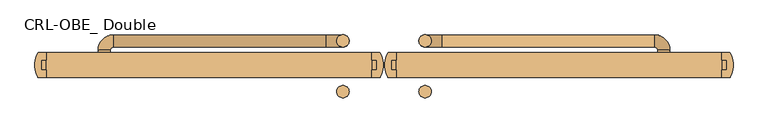
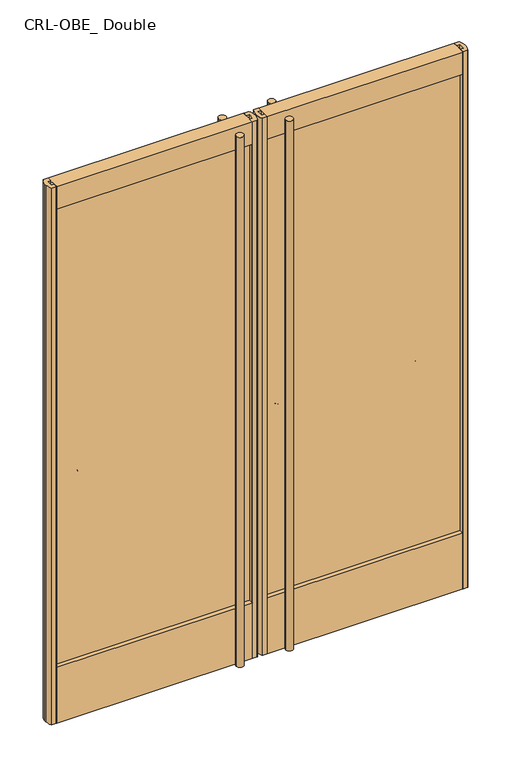
"""IFC4 building model written with IfcOpenShell, lengths in millimetres: door geometry, CRL-OBE_ Double."""

import ifcopenshell
import ifcopenshell.guid

model = None  # the IFC model being written
_history = None  # IfcOwnerHistory: only IFC2X3 demands one
_inside = {}  # id of a spatial element -> (the spatial element, [elements in it])
_under = {}  # id of a project, library or spatial element -> (it, [spatial elements below it])
_declared = {}  # id of a project -> (the project, [libraries it declares])
_typed = {}  # id of a type object -> (the type object, [elements of that type])
_made_of = {}  # id of a material, layer set ... -> (it, [elements and type objects made of it])


def new_model(schema):
    """Start an empty IFC model of exactly this schema.

    Asked for "IFC4X3", IfcOpenShell would pick the latest addendum, in which some entities
    have other attributes; the version numbers below select the first issue.
    IFC2X3 requires an IfcOwnerHistory on every rooted entity: one is made here for all.
    """
    global model, _history
    if schema == "IFC4X3":
        model = ifcopenshell.file(schema_version=(4, 3, 0, 0))
    else:
        model = ifcopenshell.file(schema=schema)
    _inside.clear()
    _under.clear()
    _declared.clear()
    _typed.clear()
    _made_of.clear()
    _history = None
    if model.schema == "IFC2X3":
        org = make("IfcOrganization", Name="unknown")
        user = make(
            "IfcPersonAndOrganization",
            ThePerson=make("IfcPerson", FamilyName="unknown"),
            TheOrganization=org,
        )
        app = make(
            "IfcApplication",
            ApplicationDeveloper=org,
            Version="unknown",
            ApplicationFullName="unknown",
            ApplicationIdentifier="unknown",
        )
        _history = make(
            "IfcOwnerHistory",
            OwningUser=user,
            OwningApplication=app,
            ChangeAction="ADDED",
            CreationDate=0,
        )
    return model


def make(cls, **values):
    """One entity of the class cls with the attributes given. An attribute that is None is left unset."""
    return model.create_entity(
        cls, **{name: value for name, value in values.items() if value is not None}
    )


def rooted(cls, **values):
    """An entity with a GlobalId (a new one), such as an element, a storey or a relation."""
    return make(cls, GlobalId=ifcopenshell.guid.new(), OwnerHistory=_history, **values)


def si_unit(unit_type, name, prefix=None):
    """IfcSIUnit, for example si_unit("LENGTHUNIT", "METRE", prefix="MILLI")."""
    return make("IfcSIUnit", UnitType=unit_type, Prefix=prefix, Name=name)


def assignment(units):
    """IfcUnitAssignment: the units of a project."""
    return None if units is None else make("IfcUnitAssignment", Units=units)


def point(xyz):
    """IfcCartesianPoint."""
    return None if xyz is None else make("IfcCartesianPoint", Coordinates=xyz)


def direction(xyz):
    """IfcDirection."""
    return None if xyz is None else make("IfcDirection", DirectionRatios=xyz)


def frame(location, z_axis=None, x_axis=None):
    """IfcAxis2Placement3D, a coordinate frame: its origin and axes. An axis left out is left unset."""
    return make(
        "IfcAxis2Placement3D",
        Location=point(location),
        Axis=direction(z_axis),
        RefDirection=direction(x_axis),
    )


def frame_2d(location, x_axis=None):
    """IfcAxis2Placement2D, a coordinate frame in the plane: its origin and x axis."""
    return make(
        "IfcAxis2Placement2D", Location=point(location), RefDirection=direction(x_axis)
    )


def origin():
    """The frame at (0, 0, 0) with its axes left unset."""
    return frame((0.0, 0.0, 0.0))


def place(relative_to, where):
    """IfcLocalPlacement: puts the frame where relative to a parent placement (None: the world)."""
    return make(
        "IfcLocalPlacement", PlacementRelTo=relative_to, RelativePlacement=where
    )


def context(
    kind, dimensions, precision=None, world=None, true_north=None, identifier=None
):
    """IfcGeometricRepresentationContext, for example the 3D "Model" context."""
    return make(
        "IfcGeometricRepresentationContext",
        ContextIdentifier=identifier,
        ContextType=kind,
        CoordinateSpaceDimension=dimensions,
        Precision=precision,
        WorldCoordinateSystem=world,
        TrueNorth=true_north,
    )


def project(units=None, contexts=None):
    """IfcProject with its units and contexts."""
    return rooted(
        "IfcProject",
        Name="project",
        RepresentationContexts=contexts,
        UnitsInContext=assignment(units),
    )


def spatial(cls, under=None, at=None, **own):
    """A site, building, storey or space (cls), placed at a placement, below another one or the project."""
    s = rooted(cls, ObjectPlacement=at, **own)
    if under is not None:
        _under.setdefault(under.id(), (under, []))[1].append(s)
    return s


def polyline(points):
    """IfcPolyline through the points."""
    return make("IfcPolyline", Points=[point(p) for p in points])


def circle_curve(where, radius):
    """IfcCircle in the frame where."""
    return make("IfcCircle", Position=where, Radius=radius)


def ellipse_curve(where, semi_axis1, semi_axis2):
    """IfcEllipse in the frame where."""
    return make(
        "IfcEllipse", Position=where, SemiAxis1=semi_axis1, SemiAxis2=semi_axis2
    )


def trimmed(basis, trim1, trim2, sense, master):
    """IfcTrimmedCurve: the piece of a basis curve between two trims."""
    return make(
        "IfcTrimmedCurve",
        BasisCurve=basis,
        Trim1=trim1,
        Trim2=trim2,
        SenseAgreement=sense,
        MasterRepresentation=master,
    )


def segment(curve, same_sense, transition):
    """IfcCompositeCurveSegment."""
    return make(
        "IfcCompositeCurveSegment",
        Transition=transition,
        SameSense=same_sense,
        ParentCurve=curve,
    )


def composite_curve(segments, self_intersect=None):
    """IfcCompositeCurve: segments joined end to end."""
    return make("IfcCompositeCurve", Segments=segments, SelfIntersect=self_intersect)


def outline(outer, holes=None, kind="AREA"):
    """IfcArbitraryClosedProfileDef: a profile drawn as a closed curve; with holes, ...WithVoids."""
    if holes is None:
        return make("IfcArbitraryClosedProfileDef", ProfileType=kind, OuterCurve=outer)
    return make(
        "IfcArbitraryProfileDefWithVoids",
        ProfileType=kind,
        OuterCurve=outer,
        InnerCurves=holes,
    )


def extrude(swept, where, along, depth):
    """IfcExtrudedAreaSolid: the profile swept, set in the frame where, extruded along a direction by depth."""
    return make(
        "IfcExtrudedAreaSolid",
        SweptArea=swept,
        Position=where,
        ExtrudedDirection=direction(along),
        Depth=depth,
    )


def shape(context_of_items, identifier, shape_type, items):
    """IfcShapeRepresentation: the items that make up one representation, for example the "Body"."""
    return make(
        "IfcShapeRepresentation",
        ContextOfItems=context_of_items,
        RepresentationIdentifier=identifier,
        RepresentationType=shape_type,
        Items=items,
    )


def source(mapping_origin, context_of_items, identifier, shape_type, items):
    """IfcRepresentationMap: a shape defined once, which mapped items show again and again."""
    return make(
        "IfcRepresentationMap",
        MappingOrigin=mapping_origin,
        MappedRepresentation=shape(context_of_items, identifier, shape_type, items),
    )


def transform(
    local_origin,
    x_axis=None,
    y_axis=None,
    z_axis=None,
    scale=None,
    scale2=None,
    scale3=None,
    uniform=True,
):
    """IfcCartesianTransformationOperator3D, or its non-uniform kind. x_axis, y_axis, z_axis: its Axis1, 2, 3."""
    if uniform:
        return make(
            "IfcCartesianTransformationOperator3D",
            Axis1=direction(x_axis),
            Axis2=direction(y_axis),
            LocalOrigin=point(local_origin),
            Scale=scale,
            Axis3=direction(z_axis),
        )
    return make(
        "IfcCartesianTransformationOperator3DnonUniform",
        Axis1=direction(x_axis),
        Axis2=direction(y_axis),
        LocalOrigin=point(local_origin),
        Scale=scale,
        Axis3=direction(z_axis),
        Scale2=scale2,
        Scale3=scale3,
    )


def mapped(mapping_source, mapping_target):
    """IfcMappedItem: shows the shape of a source again, moved by a transform."""
    return make(
        "IfcMappedItem", MappingSource=mapping_source, MappingTarget=mapping_target
    )


def made_of(thing, what):
    """Note that an element or type object is made of a material, layer set ...; save() writes the relation."""
    if what is not None:
        _made_of.setdefault(what.id(), (what, []))[1].append(thing)
    return thing


def element(
    cls,
    number,
    at=None,
    inside=None,
    cuts=None,
    type_object=None,
    material=None,
    context=None,
    identifier="Body",
    shape_type=None,
    held_by="IfcProductDefinitionShape",
    body=None,
    shapes=None,
    **own,
):
    """One element of the class cls, such as IfcWall. Its Tag is "e" and its number.

    at: its placement. inside: the storey or other place that contains it. cuts: it is an
    opening in that element (IfcRelVoidsElement). A single representation is given by context,
    identifier, shape_type and body (its items); several are given by shapes. held_by: the class
    of the entity that holds the representations. save() writes the other relations.
    """
    e = rooted(cls, Tag="e%d" % number, ObjectPlacement=at, **own)
    if body is not None:
        shapes = [shape(context, identifier, shape_type, body)]
    if shapes is not None:
        e.Representation = make(held_by, Representations=shapes)
    if inside is not None:
        _inside.setdefault(inside.id(), (inside, []))[1].append(e)
    if cuts is not None:
        rooted(
            "IfcRelVoidsElement", RelatingBuildingElement=cuts, RelatedOpeningElement=e
        )
    if type_object is not None:
        _typed.setdefault(type_object.id(), (type_object, []))[1].append(e)
    return made_of(e, material)


def aggregate(whole, parts):
    """IfcRelAggregates: a whole, such as a stair, and the parts it consists of."""
    return rooted("IfcRelAggregates", RelatingObject=whole, RelatedObjects=parts)


def save(model, path):
    """Write the relations noted so far, then the file.

    IfcRelAggregates (storeys below a building ...), IfcRelContainedInSpatialStructure (elements
    in a storey), IfcRelDefinesByType, IfcRelAssociatesMaterial and IfcRelDeclares: one each for
    every whole, place, type object, material and project.
    """
    for whole, parts in _under.values():
        aggregate(whole, parts)
    for where, things in _inside.values():
        rooted(
            "IfcRelContainedInSpatialStructure",
            RelatedElements=things,
            RelatingStructure=where,
        )
    for kind, things in _typed.values():
        rooted("IfcRelDefinesByType", RelatedObjects=things, RelatingType=kind)
    for what, things in _made_of.values():
        rooted("IfcRelAssociatesMaterial", RelatedObjects=things, RelatingMaterial=what)
    for by, libraries in _declared.values():
        rooted("IfcRelDeclares", RelatingContext=by, RelatedDefinitions=libraries)
    model.write(path)


def plane_surface(at):
    """IfcPlane: the flat surface through the origin of the frame at, square to its z axis."""
    return make("IfcPlane", Position=at)


def cylinder_surface(at, radius):
    """IfcCylindricalSurface: all points at the distance radius from the z axis of the frame at."""
    return make("IfcCylindricalSurface", Position=at, Radius=radius)


def revolved_surface(curve, axis_point, axis_direction):
    """IfcSurfaceOfRevolution: the curve turned about the line through axis_point along axis_direction."""
    return make(
        "IfcSurfaceOfRevolution",
        SweptCurve=make("IfcArbitraryOpenProfileDef", ProfileType="CURVE", Curve=curve),
        AxisPosition=make("IfcAxis1Placement", Location=point(axis_point), Axis=direction(axis_direction)),
    )


def advanced_brep(points, edges, surfaces, faces):
    """IfcAdvancedBrep: a solid bounded by faces that lie on surfaces and meet in shared edges.

    An edge is (start, end): straight between two places in points (the first is 0);
    or (start, end, curve); or (start, end, curve, False) where it runs against its curve.
    A face is (place in surfaces, loops), or (place, loops, False) where it looks against
    its surface's normal. A loop lists edges by number (the first is 1), with a minus sign
    where the edge is run from its end to its start. The first loop is the outer one.
    """
    corners = [point(p) for p in points]
    vertices = [make("IfcVertexPoint", VertexGeometry=c) for c in corners]
    made = []
    for start, end, *more in edges:
        made.append(
            make(
                "IfcEdgeCurve",
                EdgeStart=vertices[start],
                EdgeEnd=vertices[end],
                EdgeGeometry=more[0] if more else make("IfcPolyline", Points=[corners[start], corners[end]]),
                SameSense=more[1] if len(more) > 1 else True,
            )
        )
    hull = []
    for where, loops, *sense in faces:
        bounds = []
        for j, loop in enumerate(loops):
            ring = [make("IfcOrientedEdge", EdgeElement=made[abs(k) - 1], Orientation=k > 0) for k in loop]
            bounds.append(
                make(
                    "IfcFaceOuterBound" if j == 0 else "IfcFaceBound",
                    Bound=make("IfcEdgeLoop", EdgeList=ring),
                    Orientation=True,
                )
            )
        hull.append(make("IfcAdvancedFace", Bounds=bounds, FaceSurface=surfaces[where], SameSense=sense[0] if sense else True))
    return make("IfcAdvancedBrep", Outer=make("IfcClosedShell", CfsFaces=hull))


def crl_obe_double_ba012d41(model_context):
    return source(origin(), model_context, "Body", "SolidModel", [
        extrude(outline(composite_curve([segment(trimmed(circle_curve(frame_2d((106.3625, 53.1813703)), 15.875), [point((122.2375, 53.1813703))], [point((90.4875, 53.1813703))], False, "CARTESIAN"), True, "CONTINUOUS"), segment(trimmed(circle_curve(frame_2d((106.3625, 53.1813703)), 15.875), [point((90.4875, 53.1813703))], [point((122.2375, 53.1813703))], False, "CARTESIAN"), True, "CONTINUOUS")], self_intersect=False)), frame((0.0, 0.0, 2108.2), z_axis=(0.0, 0.0, 1.0), x_axis=(1.0, 0.0, 0.0)), (0.0, 0.0, 1.0), 330.2),
        extrude(outline(composite_curve([segment(trimmed(circle_curve(frame_2d((106.3625, -78.58125)), 15.875), [point((122.2375, -78.58125))], [point((90.4875, -78.58125))], False, "CARTESIAN"), True, "CONTINUOUS"), segment(trimmed(circle_curve(frame_2d((106.3625, -78.58125)), 15.875), [point((90.4875, -78.58125))], [point((122.2375, -78.58125))], False, "CARTESIAN"), True, "CONTINUOUS")], self_intersect=False)), frame((0.0, 0.0, 28.3539297), z_axis=(0.0, 0.0, 1.0), x_axis=(1.0, 0.0, 0.0)), (0.0, 0.0, 1.0), 2410.0460703),
        advanced_brep(
        [(708.5557308, 0.0, 1066.8), (740.3057308, 0.0, 1066.8), (106.3625, 37.3063703, 2108.2), (106.3625, 69.0563703, 2108.2), (740.3057308, 29.2459994, 1066.8), (708.5557308, 29.2459994, 1066.8), (700.4953599, 69.0563703, 1066.8), (700.4953599, 37.3063703, 1066.8), (150.8125, 69.0563703, 1066.8), (150.8125, 37.3063703, 1066.8), (106.3625, 69.0563703, 1111.25), (106.3625, 37.3063703, 1111.25)],
        [
            (0, 1, circle_curve(frame((724.4307308, 0.0, 1066.8), z_axis=(0.0, -1.0, 0.0), x_axis=(1.0, 0.0, 0.0)), 15.875)),
            (1, 0, circle_curve(frame((724.4307308, 0.0, 1066.8), z_axis=(0.0, -1.0, 0.0), x_axis=(1.0, 0.0, 0.0)), 15.875)),
            (2, 3, circle_curve(frame((106.3625, 53.1813703, 2108.2), z_axis=(0.0, 0.0, 1.0), x_axis=(0.0, 1.0, 0.0)), 15.875)),
            (3, 2, circle_curve(frame((106.3625, 53.1813703, 2108.2), z_axis=(0.0, 0.0, 1.0), x_axis=(0.0, 1.0, 0.0)), 15.875)),
            (1, 4),
            (4, 5, circle_curve(frame((724.4307308, 29.2459994, 1066.8), z_axis=(0.0, -1.0, 0.0), x_axis=(1.0, 0.0, 0.0)), 15.875)),
            (5, 0),
            (5, 4, circle_curve(frame((724.4307308, 29.2459994, 1066.8), z_axis=(0.0, -1.0, 0.0), x_axis=(1.0, 0.0, 0.0)), 15.875)),
            (6, 7, circle_curve(frame((700.4953599, 53.1813703, 1066.8), z_axis=(1.0, 0.0, 0.0), x_axis=(0.0, 1.0, 0.0)), 15.875)),
            (7, 5, circle_curve(frame((700.4953599, 29.2459994, 1066.8), z_axis=(0.0, 0.0, -1.0), x_axis=(1.0, 0.0, 0.0)), 8.0603709)),
            (4, 6, circle_curve(frame((700.4953599, 29.2459994, 1066.8), z_axis=(0.0, 0.0, 1.0), x_axis=(1.0, 0.0, 0.0)), 39.8103709)),
            (7, 6, circle_curve(frame((700.4953599, 53.1813703, 1066.8), z_axis=(1.0, 0.0, 0.0), x_axis=(0.0, 1.0, 0.0)), 15.875)),
            (6, 8),
            (8, 9, circle_curve(frame((150.8125, 53.1813703, 1066.8), z_axis=(1.0, 0.0, 0.0), x_axis=(0.0, 1.0, 0.0)), 15.875)),
            (9, 7),
            (9, 8, circle_curve(frame((150.8125, 53.1813703, 1066.8), z_axis=(1.0, 0.0, 0.0), x_axis=(0.0, 1.0, 0.0)), 15.875)),
            (10, 11, circle_curve(frame((106.3625, 53.1813703, 1111.25), z_axis=(0.0, 0.0, -1.0), x_axis=(0.0, 1.0, 0.0)), 15.875)),
            (11, 9, circle_curve(frame((150.8125, 37.3063703, 1111.25), z_axis=(0.0, -1.0, 0.0), x_axis=(0.0, 0.0, -1.0)), 44.45)),
            (8, 10, circle_curve(frame((150.8125, 69.0563703, 1111.25), z_axis=(0.0, 1.0, 0.0), x_axis=(0.0, 0.0, -1.0)), 44.45)),
            (11, 10, circle_curve(frame((106.3625, 53.1813703, 1111.25), z_axis=(0.0, 0.0, -1.0), x_axis=(0.0, 1.0, 0.0)), 15.875)),
            (10, 3),
            (2, 11),
        ],
        [
            plane_surface(frame((740.3057308, 0.0, 1066.8), z_axis=(0.0, -1.0, 0.0), x_axis=(0.0, 0.0, 1.0))),
            plane_surface(frame((106.3625, 37.3061297, 2108.2), z_axis=(0.0, 0.0, 1.0), x_axis=(-1.0, 0.0, 0.0))),
            cylinder_surface(frame((724.4307308, 0.0, 1066.8), z_axis=(0.0, -1.0, 0.0), x_axis=(1.0, 0.0, 0.0)), 15.875),
            revolved_surface(trimmed(ellipse_curve(frame((724.4307308, 29.2459994, 1066.8), z_axis=(0.0, 1.0, 0.0), x_axis=(1.0, 0.0, 0.0)), 15.875, 15.875), [point((708.5557308, 29.2459994, 1066.8))], [point((740.3057308, 29.2459994, 1066.8))], True, "CARTESIAN"), (700.4953599, 29.2459994, 1066.8), (0.0, 0.0, -1.0)),
            revolved_surface(trimmed(ellipse_curve(frame((724.4307308, 29.2459994, 1066.8), z_axis=(0.0, 1.0, 0.0), x_axis=(1.0, 0.0, 0.0)), 15.875, 15.875), [point((740.3057308, 29.2459994, 1066.8))], [point((708.5557308, 29.2459994, 1066.8))], True, "CARTESIAN"), (700.4953599, 29.2459994, 1066.8), (0.0, 0.0, -1.0)),
            cylinder_surface(frame((700.4953599, 53.1813703, 1066.8), z_axis=(1.0, 0.0, 0.0), x_axis=(0.0, 1.0, 0.0)), 15.875),
            revolved_surface(trimmed(ellipse_curve(frame((150.8125, 53.1813703, 1066.8), z_axis=(-1.0, 0.0, 0.0), x_axis=(0.0, 1.0, 0.0)), 15.875, 15.875), [point((150.8125, 37.3063703, 1066.8))], [point((150.8125, 69.0563703, 1066.8))], True, "CARTESIAN"), (150.8125, 53.18125, 1111.25), (0.0, -1.0, 0.0)),
            revolved_surface(trimmed(ellipse_curve(frame((150.8125, 53.1813703, 1066.8), z_axis=(-1.0, 0.0, 0.0), x_axis=(0.0, 1.0, 0.0)), 15.875, 15.875), [point((150.8125, 69.0563703, 1066.8))], [point((150.8125, 37.3063703, 1066.8))], True, "CARTESIAN"), (150.8125, 53.18125, 1111.25), (0.0, -1.0, 0.0)),
            cylinder_surface(frame((106.3625, 53.1813703, 1111.25), z_axis=(0.0, 0.0, -1.0), x_axis=(0.0, 1.0, 0.0)), 15.875),
        ],
        [
            (0, [[1, 2]]),
            (1, [[3, 4]]),
            (2, [[5, 6, 7, -2]]),
            (2, [[-7, 8, -5, -1]]),
            (3, [[9, 10, -6, 11]]),
            (4, [[12, -11, -8, -10]]),
            (5, [[13, 14, 15, -9]]),
            (5, [[-15, 16, -13, -12]]),
            (6, [[17, 18, -14, 19]]),
            (7, [[20, -19, -16, -18]]),
            (8, [[21, -3, 22, -17]]),
            (8, [[-22, -4, -21, -20]]),
        ],
    ),
        extrude(outline(composite_curve([segment(trimmed(circle_curve(frame_2d((-106.3625, 53.1813703)), 15.875), [point((-122.2375, 53.1813703))], [point((-90.4875, 53.1813703))], False, "CARTESIAN"), True, "CONTINUOUS"), segment(trimmed(circle_curve(frame_2d((-106.3625, 53.1813703)), 15.875), [point((-90.4875, 53.1813703))], [point((-122.2375, 53.1813703))], False, "CARTESIAN"), True, "CONTINUOUS")], self_intersect=False)), frame((0.0, 0.0, 2108.2), z_axis=(0.0, 0.0, 1.0), x_axis=(1.0, 0.0, 0.0)), (0.0, 0.0, 1.0), 330.2),
        extrude(outline(composite_curve([segment(trimmed(circle_curve(frame_2d((-106.3625, -78.58125)), 15.875), [point((-122.2375, -78.58125))], [point((-90.4875, -78.58125))], False, "CARTESIAN"), True, "CONTINUOUS"), segment(trimmed(circle_curve(frame_2d((-106.3625, -78.58125)), 15.875), [point((-90.4875, -78.58125))], [point((-122.2375, -78.58125))], False, "CARTESIAN"), True, "CONTINUOUS")], self_intersect=False)), frame((0.0, 0.0, 28.3539297), z_axis=(0.0, 0.0, 1.0), x_axis=(1.0, 0.0, 0.0)), (0.0, 0.0, 1.0), 2410.0460703),
        advanced_brep(
        [(-708.5557308, 0.0, 1066.8), (-740.3057308, 0.0, 1066.8), (-106.3625, 37.3063703, 2108.2), (-106.3625, 69.0563703, 2108.2), (-708.5557308, 29.2459994, 1066.8), (-740.3057308, 29.2459994, 1066.8), (-700.4953599, 69.0563703, 1066.8), (-700.4953599, 37.3063703, 1066.8), (-150.8125, 37.3063703, 1066.8), (-150.8125, 69.0563703, 1066.8), (-106.3625, 69.0563703, 1111.25), (-106.3625, 37.3063703, 1111.25)],
        [
            (0, 1, circle_curve(frame((-724.4307308, 0.0, 1066.8), z_axis=(0.0, -1.0, 0.0), x_axis=(-1.0, 0.0, 0.0)), 15.875)),
            (1, 0, circle_curve(frame((-724.4307308, 0.0, 1066.8), z_axis=(0.0, -1.0, 0.0), x_axis=(-1.0, 0.0, 0.0)), 15.875)),
            (2, 3, circle_curve(frame((-106.3625, 53.1813703, 2108.2), z_axis=(0.0, 0.0, 1.0), x_axis=(0.0, 1.0, 0.0)), 15.875)),
            (3, 2, circle_curve(frame((-106.3625, 53.1813703, 2108.2), z_axis=(0.0, 0.0, 1.0), x_axis=(0.0, 1.0, 0.0)), 15.875)),
            (0, 4),
            (4, 5, circle_curve(frame((-724.4307308, 29.2459994, 1066.8), z_axis=(0.0, -1.0, 0.0), x_axis=(-1.0, 0.0, 0.0)), 15.875)),
            (5, 1),
            (5, 4, circle_curve(frame((-724.4307308, 29.2459994, 1066.8), z_axis=(0.0, -1.0, 0.0), x_axis=(-1.0, 0.0, 0.0)), 15.875)),
            (6, 5, circle_curve(frame((-700.4953599, 29.2459994, 1066.8), z_axis=(0.0, 0.0, 1.0), x_axis=(-1.0, 0.0, 0.0)), 39.8103709)),
            (4, 7, circle_curve(frame((-700.4953599, 29.2459994, 1066.8), z_axis=(0.0, 0.0, -1.0), x_axis=(-1.0, 0.0, 0.0)), 8.0603709)),
            (7, 6, circle_curve(frame((-700.4953599, 53.1813703, 1066.8), z_axis=(-1.0, 0.0, 0.0), x_axis=(0.0, 1.0, 0.0)), 15.875)),
            (6, 7, circle_curve(frame((-700.4953599, 53.1813703, 1066.8), z_axis=(-1.0, 0.0, 0.0), x_axis=(0.0, 1.0, 0.0)), 15.875)),
            (7, 8),
            (8, 9, circle_curve(frame((-150.8125, 53.1813703, 1066.8), z_axis=(-1.0, 0.0, 0.0), x_axis=(0.0, 1.0, 0.0)), 15.875)),
            (9, 6),
            (9, 8, circle_curve(frame((-150.8125, 53.1813703, 1066.8), z_axis=(-1.0, 0.0, 0.0), x_axis=(0.0, 1.0, 0.0)), 15.875)),
            (10, 9, circle_curve(frame((-150.8125, 69.0563703, 1111.25), z_axis=(0.0, 1.0, 0.0), x_axis=(0.0, 0.0, -1.0)), 44.45)),
            (8, 11, circle_curve(frame((-150.8125, 37.3063703, 1111.25), z_axis=(0.0, -1.0, 0.0), x_axis=(0.0, 0.0, -1.0)), 44.45)),
            (11, 10, circle_curve(frame((-106.3625, 53.1813703, 1111.25), z_axis=(0.0, 0.0, -1.0), x_axis=(0.0, 1.0, 0.0)), 15.875)),
            (10, 11, circle_curve(frame((-106.3625, 53.1813703, 1111.25), z_axis=(0.0, 0.0, -1.0), x_axis=(0.0, 1.0, 0.0)), 15.875)),
            (11, 2),
            (3, 10),
        ],
        [
            plane_surface(frame((-740.3057308, 0.0, 1066.8), z_axis=(0.0, -1.0, 0.0), x_axis=(0.0, 0.0, 1.0))),
            plane_surface(frame((-106.3625, 37.3061297, 2108.2), z_axis=(0.0, 0.0, 1.0), x_axis=(1.0, 0.0, 0.0))),
            cylinder_surface(frame((-724.4307308, 0.0, 1066.8), z_axis=(0.0, -1.0, 0.0), x_axis=(-1.0, 0.0, 0.0)), 15.875),
            revolved_surface(trimmed(ellipse_curve(frame((-724.4307308, 29.2459994, 1066.8), z_axis=(0.0, -1.0, 0.0), x_axis=(-1.0, 0.0, 0.0)), 15.875, 15.875), [point((-708.5557308, 29.2459994, 1066.8))], [point((-740.3057308, 29.2459994, 1066.8))], True, "CARTESIAN"), (-700.4953599, 29.2459994, 1066.8), (0.0, 0.0, -1.0)),
            revolved_surface(trimmed(ellipse_curve(frame((-724.4307308, 29.2459994, 1066.8), z_axis=(0.0, -1.0, 0.0), x_axis=(-1.0, 0.0, 0.0)), 15.875, 15.875), [point((-740.3057308, 29.2459994, 1066.8))], [point((-708.5557308, 29.2459994, 1066.8))], True, "CARTESIAN"), (-700.4953599, 29.2459994, 1066.8), (0.0, 0.0, -1.0)),
            cylinder_surface(frame((-700.4953599, 53.1813703, 1066.8), z_axis=(-1.0, 0.0, 0.0), x_axis=(0.0, 1.0, 0.0)), 15.875),
            revolved_surface(trimmed(ellipse_curve(frame((-150.8125, 53.1813703, 1066.8), z_axis=(-1.0, 0.0, 0.0), x_axis=(0.0, 1.0, 0.0)), 15.875, 15.875), [point((-150.8125, 37.3063703, 1066.8))], [point((-150.8125, 69.0563703, 1066.8))], True, "CARTESIAN"), (-150.8125, 53.18125, 1111.25), (0.0, -1.0, 0.0)),
            revolved_surface(trimmed(ellipse_curve(frame((-150.8125, 53.1813703, 1066.8), z_axis=(-1.0, 0.0, 0.0), x_axis=(0.0, 1.0, 0.0)), 15.875, 15.875), [point((-150.8125, 69.0563703, 1066.8))], [point((-150.8125, 37.3063703, 1066.8))], True, "CARTESIAN"), (-150.8125, 53.18125, 1111.25), (0.0, -1.0, 0.0)),
            cylinder_surface(frame((-106.3625, 53.1813703, 1111.25), z_axis=(0.0, 0.0, -1.0), x_axis=(0.0, 1.0, 0.0)), 15.875),
        ],
        [
            (0, [[1, 2]]),
            (1, [[3, 4]]),
            (2, [[-1, 5, 6, 7]]),
            (2, [[-2, -7, 8, -5]]),
            (3, [[9, -6, 10, 11]]),
            (4, [[-10, -8, -9, 12]]),
            (5, [[-11, 13, 14, 15]]),
            (5, [[-12, -15, 16, -13]]),
            (6, [[17, -14, 18, 19]]),
            (7, [[-18, -16, -17, 20]]),
            (8, [[-19, 21, -4, 22]]),
            (8, [[-20, -22, -3, -21]]),
        ],
    ),
        extrude(outline(composite_curve([segment(polyline([(-11.5876649, -41.9843913), (-30.3672559, -41.9843913)]), True, "CONTINUOUS"), segment(trimmed(circle_curve(frame_2d((-30.3672559, -40.2825913)), 1.7018), [point((-30.3672559, -41.9843913))], [point((-32.0690559, -40.2825913))], False, "CARTESIAN"), True, "CONTINUOUS"), segment(polyline([(-32.0690559, -40.2825913), (-32.0690559, -22.3242187), (-19.0203476, -22.3242187), (-19.0203476, 3.0757813), (-32.0690559, 3.0757812), (-32.0690559, 21.0341538)]), True, "CONTINUOUS"), segment(trimmed(circle_curve(frame_2d((-30.3672559, 21.0341538)), 1.7018), [point((-32.0690559, 21.0341538))], [point((-30.3672559, 22.7359538))], False, "CARTESIAN"), True, "CONTINUOUS"), segment(polyline([(-30.3672559, 22.7359538), (-11.5876649, 22.7359538)]), True, "CONTINUOUS"), segment(trimmed(circle_curve(frame_2d((-11.5876649, 21.0341538)), 1.7018), [point((-11.5876649, 22.7359538))], [point((-10.0832671, 21.8297106))], False, "CARTESIAN"), True, "CONTINUOUS"), segment(trimmed(circle_curve(frame_2d((-69.5631126, -9.6244684)), 67.2846), [point((-10.0832671, 21.8297106))], [point((-2.38125, -5.9076507))], False, "CARTESIAN"), True, "CONTINUOUS"), segment(polyline([(-2.38125, -5.9076507), (-2.38125, -13.3407868)]), True, "CONTINUOUS"), segment(trimmed(circle_curve(frame_2d((-69.5631126, -9.6239691)), 67.2846), [point((-2.38125, -13.3407868))], [point((-10.0832671, -41.0781481))], False, "CARTESIAN"), True, "CONTINUOUS"), segment(trimmed(circle_curve(frame_2d((-11.5876649, -40.2825913)), 1.7018), [point((-10.0832671, -41.0781481))], [point((-11.5876649, -41.9843913))], False, "CARTESIAN"), True, "CONTINUOUS")], self_intersect=False)), frame((0.0, 0.0, 9.0948769), z_axis=(0.0, 0.0, 1.0), x_axis=(1.0, 0.0, 0.0)), (0.0, 0.0, 1.0), 2442.0051231),
        extrude(outline(composite_curve([segment(trimmed(circle_curve(frame_2d((11.5876649, -40.2825913)), 1.7018), [point((11.5876649, -41.9843913))], [point((10.0832671, -41.0781481))], False, "CARTESIAN"), True, "CONTINUOUS"), segment(trimmed(circle_curve(frame_2d((69.5631126, -9.6239691)), 67.2846), [point((10.0832671, -41.0781481))], [point((2.38125, -13.3407868))], False, "CARTESIAN"), True, "CONTINUOUS"), segment(polyline([(2.38125, -13.3407868), (2.38125, -5.9076507)]), True, "CONTINUOUS"), segment(trimmed(circle_curve(frame_2d((69.5631126, -9.6244684)), 67.2846), [point((2.38125, -5.9076507))], [point((10.0832671, 21.8297106))], False, "CARTESIAN"), True, "CONTINUOUS"), segment(trimmed(circle_curve(frame_2d((11.5876649, 21.0341538)), 1.7018), [point((10.0832671, 21.8297106))], [point((11.5876649, 22.7359538))], False, "CARTESIAN"), True, "CONTINUOUS"), segment(polyline([(11.5876649, 22.7359538), (30.3672559, 22.7359538)]), True, "CONTINUOUS"), segment(trimmed(circle_curve(frame_2d((30.3672559, 21.0341538)), 1.7018), [point((30.3672559, 22.7359538))], [point((32.0690559, 21.0341538))], False, "CARTESIAN"), True, "CONTINUOUS"), segment(polyline([(32.0690559, 21.0341538), (32.0690559, 3.0757813), (19.0203476, 3.0757813), (19.0203476, -22.3242188), (32.0690559, -22.3242188), (32.0690559, -40.2825913)]), True, "CONTINUOUS"), segment(trimmed(circle_curve(frame_2d((30.3672559, -40.2825913)), 1.7018), [point((32.0690559, -40.2825913))], [point((30.3672559, -41.9843913))], False, "CARTESIAN"), True, "CONTINUOUS"), segment(polyline([(30.3672559, -41.9843913), (11.5876649, -41.9843913)]), True, "CONTINUOUS")], self_intersect=False)), frame((0.0, 0.0, 9.0948769), z_axis=(0.0, 0.0, 1.0), x_axis=(1.0, 0.0, 0.0)), (0.0, 0.0, 1.0), 2442.0051231),
        extrude(outline(composite_curve([segment(trimmed(circle_curve(frame_2d((-894.4357394, -40.2825913)), 1.7018), [point((-894.4357394, -41.9843913))], [point((-895.9401372, -41.0781481))], False, "CARTESIAN"), True, "CONTINUOUS"), segment(trimmed(circle_curve(frame_2d((-836.4602916, -9.6239691)), 67.2846), [point((-895.9401372, -41.0781481))], [point((-903.6421542, -13.3407868))], False, "CARTESIAN"), True, "CONTINUOUS"), segment(polyline([(-903.6421542, -13.3407868), (-903.6421542, -5.9076507)]), True, "CONTINUOUS"), segment(trimmed(circle_curve(frame_2d((-836.4602916, -9.6244684)), 67.2846), [point((-903.6421542, -5.9076507))], [point((-895.9401372, 21.8297106))], False, "CARTESIAN"), True, "CONTINUOUS"), segment(trimmed(circle_curve(frame_2d((-894.4357394, 21.0341538)), 1.7018), [point((-895.9401372, 21.8297106))], [point((-894.4357394, 22.7359538))], False, "CARTESIAN"), True, "CONTINUOUS"), segment(polyline([(-894.4357394, 22.7359538), (-875.6561484, 22.7359538)]), True, "CONTINUOUS"), segment(trimmed(circle_curve(frame_2d((-875.6561484, 21.0341538)), 1.7018), [point((-875.6561484, 22.7359538))], [point((-873.9543484, 21.0341538))], False, "CARTESIAN"), True, "CONTINUOUS"), segment(polyline([(-873.9543484, 21.0341538), (-873.9543484, 3.0757812), (-887.1896774, 3.0757812), (-887.1896774, -22.3242188), (-873.9543484, -22.3242188), (-873.9543484, -40.2825913)]), True, "CONTINUOUS"), segment(trimmed(circle_curve(frame_2d((-875.6561484, -40.2825913)), 1.7018), [point((-873.9543484, -40.2825913))], [point((-875.6561484, -41.9843913))], False, "CARTESIAN"), True, "CONTINUOUS"), segment(polyline([(-875.6561484, -41.9843913), (-894.4357394, -41.9843913)]), True, "CONTINUOUS")], self_intersect=False)), frame((0.0, 0.0, 9.0948769), z_axis=(0.0, 0.0, 1.0), x_axis=(1.0, 0.0, 0.0)), (0.0, 0.0, 1.0), 2442.0051231),
        extrude(outline(composite_curve([segment(polyline([(894.4684351, -41.9843913), (875.6888441, -41.9843913)]), True, "CONTINUOUS"), segment(trimmed(circle_curve(frame_2d((875.6888441, -40.2825913)), 1.7018), [point((875.6888441, -41.9843913))], [point((873.9870441, -40.2825913))], False, "CARTESIAN"), True, "CONTINUOUS"), segment(polyline([(873.9870441, -40.2825913), (873.9870441, -22.3242187), (887.0357524, -22.3242187), (887.0357524, 3.0757813), (873.9870441, 3.0757813), (873.9870441, 21.0341538)]), True, "CONTINUOUS"), segment(trimmed(circle_curve(frame_2d((875.6888441, 21.0341538)), 1.7018), [point((873.9870441, 21.0341538))], [point((875.6888441, 22.7359538))], False, "CARTESIAN"), True, "CONTINUOUS"), segment(polyline([(875.6888441, 22.7359538), (894.4684351, 22.7359538)]), True, "CONTINUOUS"), segment(trimmed(circle_curve(frame_2d((894.4684351, 21.0341538)), 1.7018), [point((894.4684351, 22.7359538))], [point((895.9728329, 21.8297106))], False, "CARTESIAN"), True, "CONTINUOUS"), segment(trimmed(circle_curve(frame_2d((836.4929874, -9.6244684)), 67.2846), [point((895.9728329, 21.8297106))], [point((903.67485, -5.9076507))], False, "CARTESIAN"), True, "CONTINUOUS"), segment(polyline([(903.67485, -5.9076507), (903.67485, -13.3407868)]), True, "CONTINUOUS"), segment(trimmed(circle_curve(frame_2d((836.4929874, -9.6239691)), 67.2846), [point((903.67485, -13.3407868))], [point((895.9728329, -41.0781481))], False, "CARTESIAN"), True, "CONTINUOUS"), segment(trimmed(circle_curve(frame_2d((894.4684351, -40.2825913)), 1.7018), [point((895.9728329, -41.0781481))], [point((894.4684351, -41.9843913))], False, "CARTESIAN"), True, "CONTINUOUS")], self_intersect=False)), frame((0.0, 0.0, 9.0948769), z_axis=(0.0, 0.0, 1.0), x_axis=(1.0, 0.0, 0.0)), (0.0, 0.0, 1.0), 2442.0051231),
        extrude(outline(polyline([(-887.1896774, -22.3242188), (-887.1896774, 3.0757812), (-19.0203476, 3.0757812), (-19.0203476, -22.3242188), (-887.1896774, -22.3242188)])), frame((0.0, 0.0, 88.4698769), z_axis=(0.0, 0.0, 1.0), x_axis=(1.0, 0.0, 0.0)), (0.0, 0.0, 1.0), 2261.0301231),
        extrude(outline(polyline([(19.0203476, -22.3242188), (19.0203476, 3.0757812), (887.0357524, 3.0757812), (887.0357524, -22.3242188), (19.0203476, -22.3242188)])), frame((0.0, 0.0, 88.4698769), z_axis=(0.0, 0.0, 1.0), x_axis=(1.0, 0.0, 0.0)), (0.0, 0.0, 1.0), 2261.0301231),
        extrude(outline(polyline([(22.7359538, 2451.1), (22.7359538, 2349.5), (3.0757812, 2349.5), (3.0757812, 2362.2), (-22.3242188, 2362.2), (-22.3242188, 2349.5), (-41.9843913, 2349.5), (-41.9843913, 2451.1), (22.7359538, 2451.1)])), frame((-874.4896774, 0.0, 0.0), z_axis=(1.0, 0.0, 0.0), x_axis=(0.0, 1.0, 0.0)), (0.0, 0.0, 1.0), 842.4206215),
        extrude(outline(polyline([(-22.2293008, 263.0948769), (-22.2293008, 250.3948769), (3.1706992, 250.3948769), (3.1706992, 263.0948769), (22.8308717, 263.0948769), (22.8308717, 9.0948769), (-41.8894734, 9.0948769), (-41.8894734, 263.0948769), (-22.2293008, 263.0948769)])), frame((-874.4896774, 0.0, 0.0), z_axis=(1.0, 0.0, 0.0), x_axis=(0.0, 1.0, 0.0)), (0.0, 0.0, 1.0), 842.4206215),
        extrude(outline(polyline([(22.6410359, 2451.1), (22.6410359, 2349.5), (2.9808633, 2349.5), (2.9808633, 2362.2), (-22.4191367, 2362.2), (-22.4191367, 2349.5), (-42.0793092, 2349.5), (-42.0793092, 2451.1), (22.6410359, 2451.1)])), frame((32.0690559, 0.0, 0.0), z_axis=(1.0, 0.0, 0.0), x_axis=(0.0, 1.0, 0.0)), (0.0, 0.0, 1.0), 841.9179882),
        extrude(outline(polyline([(-22.3242188, 263.0948769), (-22.3242188, 250.3948769), (3.0757812, 250.3948769), (3.0757812, 263.0948769), (22.7359538, 263.0948769), (22.7359538, 9.0948769), (-41.9843913, 9.0948769), (-41.9843913, 263.0948769), (-22.3242188, 263.0948769)])), frame((32.0690559, 0.0, 0.0), z_axis=(1.0, 0.0, 0.0), x_axis=(0.0, 1.0, 0.0)), (0.0, 0.0, 1.0), 841.9179882),
    ])


if __name__ == "__main__":
    model = new_model("IFC4")
    model_context = context("Model", 3, world=origin())
    ifc_project = project(units=[si_unit("LENGTHUNIT", "METRE", prefix="MILLI")], contexts=[model_context])
    site = spatial("IfcSite", under=ifc_project)
    building = spatial("IfcBuilding", under=site)
    placement = place(None, origin())
    crl_obe_double_shape = crl_obe_double_ba012d41(model_context)
    element("IfcDoor", 1, ObjectType="CRL-OBE_ Double", at=placement, inside=building, context=model_context, shape_type="MappedRepresentation", body=[
        mapped(crl_obe_double_shape, transform((0.0, 0.0, 0.0), x_axis=(1.0, 0.0, 0.0), y_axis=(0.0, 1.0, 0.0), z_axis=(0.0, 0.0, 1.0))),
    ])
    save(model, "model.ifc")
